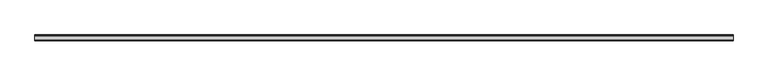
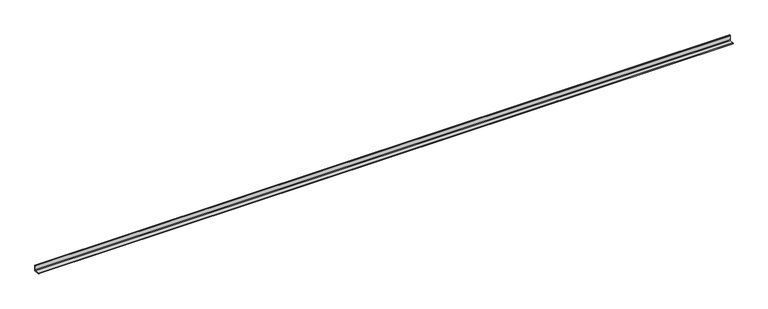
"""IFC4 building model written with IfcOpenShell, lengths in millimetres: beam geometry."""

from ifc_helpers import new_model, si_unit, point, frame, frame_2d, origin, place, context, project, spatial, polyline, circle_curve, trimmed, segment, composite_curve, outline, extrude, source, transform, mapped, element, save


def beam_767bb929(model_context):
    return source(origin(), model_context, "Body", "SweptSolid", [
        extrude(outline(composite_curve([segment(polyline([(21.3, -21.3), (-53.7, -21.3), (-53.7, -18.3)]), True, "CONTINUOUS"), segment(trimmed(circle_curve(frame_2d((-48.7, -18.3)), 5.0), [point((-53.7, -18.3))], [point((-48.7, -13.3))], False, "CARTESIAN"), True, "CONTINUOUS"), segment(polyline([(-48.7, -13.3), (5.3, -13.3)]), True, "CONTINUOUS"), segment(trimmed(circle_curve(frame_2d((5.3, -5.3)), 8.0), [point((5.3, -13.3))], [point((13.3, -5.3))], True, "CARTESIAN"), True, "CONTINUOUS"), segment(polyline([(13.3, -5.3), (13.3, 48.7)]), True, "CONTINUOUS"), segment(trimmed(circle_curve(frame_2d((18.3, 48.7)), 5.0), [point((13.3, 48.7))], [point((18.3, 53.7))], False, "CARTESIAN"), True, "CONTINUOUS"), segment(polyline([(18.3, 53.7), (21.3, 53.7), (21.3, -21.3)]), True, "CONTINUOUS")], self_intersect=False)), frame((-4435.5, 0.0, 0.0), z_axis=(1.0, 0.0, 0.0), x_axis=(0.0, 1.0, 0.0)), (0.0, 0.0, 1.0), 8935.0),
    ])


if __name__ == "__main__":
    model = new_model("IFC4")
    model_context = context("Model", 3, world=origin())
    ifc_project = project(units=[si_unit("LENGTHUNIT", "METRE", prefix="MILLI")], contexts=[model_context])
    site = spatial("IfcSite", under=ifc_project)
    building = spatial("IfcBuilding", under=site)
    placement = place(None, origin())
    beam_shape = beam_767bb929(model_context)
    element("IfcBeam", 1, at=placement, inside=building, context=model_context, shape_type="MappedRepresentation", body=[
        mapped(beam_shape, transform((0.0, 0.0, 0.0), x_axis=(1.0, 0.0, 0.0), y_axis=(0.0, 1.0, 0.0), z_axis=(0.0, 0.0, 1.0))),
    ])
    save(model, "model.ifc")
